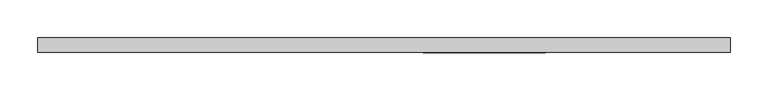
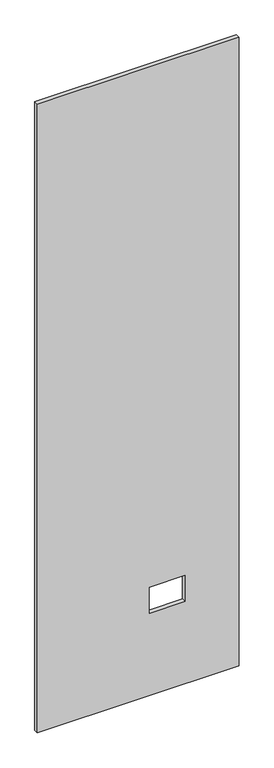
"""IFC4 building model written with IfcOpenShell, lengths in millimetres: proxy geometry."""

from ifc_helpers import new_model, si_unit, frame, origin, place, context, project, spatial, polyline, outline, extrude, source, transform, mapped, element, save


def specialty_equipment_831ebc61(model_context):
    return source(origin(), model_context, "Body", "SweptSolid", [
        extrude(outline(polyline([(2999.5368001, 455.3204), (2999.5368001, -455.3204), (3.175, -455.3204), (3.175, 455.3204), (2999.5368001, 455.3204)]), holes=[polyline([(518.9474, 211.8868), (395.4526, 211.8868), (395.4526, 51.3588), (518.9474, 51.3588), (518.9474, 211.8868)])]), frame((0.0, -9.525, 0.0), z_axis=(0.0, 1.0, 0.0), x_axis=(0.0, 0.0, 1.0)), (0.0, 0.0, 1.0), 19.05),
    ])


if __name__ == "__main__":
    model = new_model("IFC4")
    model_context = context("Model", 3, world=origin())
    ifc_project = project(units=[si_unit("LENGTHUNIT", "METRE", prefix="MILLI")], contexts=[model_context])
    site = spatial("IfcSite", under=ifc_project)
    building = spatial("IfcBuilding", under=site)
    placement = place(None, origin())
    specialty_equipment_shape = specialty_equipment_831ebc61(model_context)
    element("IfcBuildingElementProxy", 1, Name="Specialty Equipment", at=placement, inside=building, context=model_context, shape_type="MappedRepresentation", body=[
        mapped(specialty_equipment_shape, transform((0.0, 0.0, 0.0), x_axis=(1.0, 0.0, 0.0), y_axis=(0.0, 1.0, 0.0), z_axis=(0.0, 0.0, 1.0))),
    ])
    save(model, "model.ifc")
